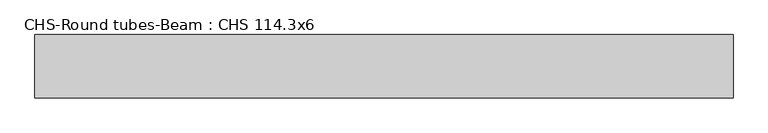
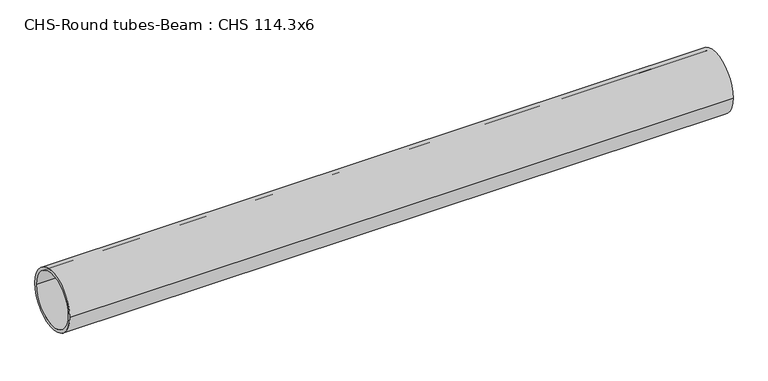
"""IFC4 building model written with IfcOpenShell, lengths in millimetres: beam geometry, CHS-Round tubes-Beam : CHS 114.3x6."""

from ifc_helpers import new_model, si_unit, point, frame, origin, origin_2d, place, context, project, spatial, circle_curve, trimmed, segment, composite_curve, outline, extrude, source, transform, mapped, element, save


def chs_round_tubes_beam_chs_114_3x6_1a5cb4c7(model_context):
    return source(origin(), model_context, "Body", "SweptSolid", [
        extrude(outline(composite_curve([segment(trimmed(circle_curve(origin_2d(), 57.15), [point((57.15, 0.0))], [point((-57.15, 0.0))], False, "CARTESIAN"), True, "CONTINUOUS"), segment(trimmed(circle_curve(origin_2d(), 57.15), [point((-57.15, 0.0))], [point((57.15, 0.0))], False, "CARTESIAN"), True, "CONTINUOUS")], self_intersect=False), holes=[composite_curve([segment(trimmed(circle_curve(origin_2d(), 51.15), [point((51.15, 0.0))], [point((-51.15, 0.0))], True, "CARTESIAN"), True, "CONTINUOUS"), segment(trimmed(circle_curve(origin_2d(), 51.15), [point((-51.15, 0.0))], [point((51.15, 0.0))], True, "CARTESIAN"), True, "CONTINUOUS")], self_intersect=False)]), frame((-618.1938462, 0.0, 0.0), z_axis=(1.0, 0.0, 0.0), x_axis=(0.0, 1.0, 0.0)), (0.0, 0.0, 1.0), 1255.9310778),
    ])


if __name__ == "__main__":
    model = new_model("IFC4")
    model_context = context("Model", 3, world=origin())
    ifc_project = project(units=[si_unit("LENGTHUNIT", "METRE", prefix="MILLI")], contexts=[model_context])
    site = spatial("IfcSite", under=ifc_project)
    building = spatial("IfcBuilding", under=site)
    placement = place(None, origin())
    chs_round_tubes_beam_chs_114_3x6_shape = chs_round_tubes_beam_chs_114_3x6_1a5cb4c7(model_context)
    element("IfcBeam", 1, ObjectType="CHS-Round tubes-Beam : CHS 114.3x6", at=placement, inside=building, context=model_context, shape_type="MappedRepresentation", body=[
        mapped(chs_round_tubes_beam_chs_114_3x6_shape, transform((0.0, 0.0, 0.0), x_axis=(1.0, 0.0, 0.0), y_axis=(0.0, 1.0, 0.0), z_axis=(0.0, 0.0, 1.0))),
    ])
    save(model, "model.ifc")
